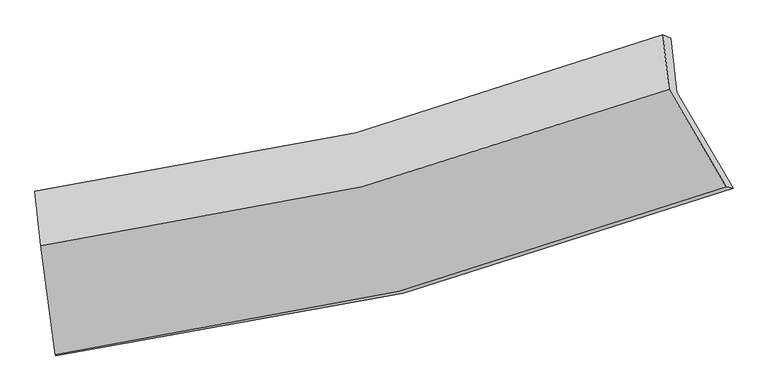
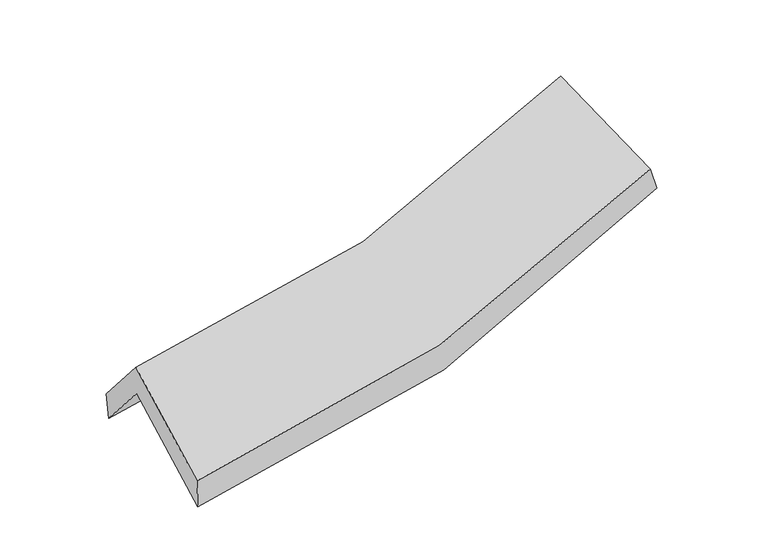
"""IFC4 building model written with IfcOpenShell, lengths in millimetres: proxy geometry."""

from ifc_helpers import new_model, si_unit, frame, origin, place, context, project, spatial, source, transform, mapped, element, save
from ifc_brep_helpers import plane_surface, spline_curve, spline_surface, advanced_brep


def generic_models_169786fb(model_context):
    return source(origin(), model_context, "Body", "AdvancedBrep", [
        advanced_brep(
        [(-1482.6927946, -2423.6300837, 1543.4702096), (-1549.951095, -1911.8174113, 1969.9878595), (1436.6602214, -1185.2322754, 2352.0344127), (1702.3591684, -1637.0380843, 1956.8041386), (-1576.5798805, -1670.7231194, 1676.4803794), (1408.5287321, -930.5326573, 2041.9638485), (-1580.6162846, -1649.7325609, 1818.9992396), (1372.7694943, -915.0944824, 2172.3367933), (-1552.3040702, -1906.0684459, 2131.0617904), (1400.9953657, -1170.6486265, 2483.447655), (-1484.8259714, -2419.5537087, 1703.150292), (1670.1053643, -1628.2547329, 2083.143402)],
        [
            (0, 1),
            (1, 2, spline_curve(3, [(-1549.951095, -1911.8174113, 1969.9878595), (-1028.692976111, -1851.892673916, 1974.043914412), (-518.718951493, -1761.20462829, 2008.028791134), (476.730984309, -1518.771936425, 2135.608842203), (962.294065316, -1367.264936626, 2228.97281675), (1436.6602214, -1185.2322754, 2352.0344127)], [4, 2, 4], [0.0, 5.282253688941337, 10.544065118022203])),
            (2, 3),
            (3, 0, spline_curve(3, [(1702.3591684, -1637.0380843, 1956.8041386), (1197.36556408, -1833.863465772, 1824.370145551), (679.986407976, -1997.762366412, 1723.713705816), (-381.601156597, -2260.216036687, 1585.688336908), (-925.905988077, -2358.514469277, 1548.566800171), (-1482.6927946, -2423.6300837, 1543.4702096)], [4, 2, 4], [0.0, 5.261811429080867, 10.544065118022203])),
            (1, 4),
            (4, 5, spline_curve(3, [(-1576.5798805, -1670.7231194, 1676.4803794), (-1056.235873105, -1602.522108988, 1670.460924096), (-546.843729752, -1506.5657721, 1698.032198244), (448.107871312, -1259.621208187, 1820.119509518), (933.751932075, -1108.847390994, 1914.376058435), (1408.5287321, -930.5326573, 2041.9638485)], [4, 2, 4], [0.0, 5.10942498681482, 10.199076558820593])),
            (5, 2),
            (4, 6),
            (6, 7, spline_curve(3, [(-1580.6162846, -1649.7325609, 1818.9992396), (-1065.691724423, -1588.7744479, 1824.072650363), (-561.657880984, -1496.89703301, 1856.163516291), (422.719914464, -1251.778821844, 1974.151410797), (903.147997324, -1098.776877235, 2059.839729209), (1372.7694943, -915.0944824, 2172.3367933)], [4, 2, 4], [0.0, 5.081126793124251, 10.142589685117342])),
            (7, 5),
            (6, 8),
            (8, 9, spline_curve(3, [(-1552.3040702, -1906.0684459, 2131.0617904), (-1037.44334344, -1844.53239212, 2135.431617735), (-533.448577969, -1752.301169404, 2167.091758989), (450.900627877, -1506.924109292, 2284.764531641), (931.339007571, -1354.01539232, 2370.566345215), (1400.9953657, -1170.6486265, 2483.447655)], [4, 2, 4], [0.0, 5.0529452814458615, 10.086335723880431])),
            (9, 7),
            (8, 10),
            (10, 11, spline_curve(3, [(-1484.8259714, -2419.5537087, 1703.150292), (-934.827827747, -2351.852008214, 1709.396853463), (-396.430541345, -2251.869268968, 1744.30307559), (655.12362054, -1987.853572702, 1871.188841389), (1168.37011284, -1824.069986583, 1962.946989421), (1670.1053643, -1628.2547329, 2083.143402)], [4, 2, 4], [0.0, 5.226608792679212, 10.432990670594247])),
            (11, 9),
            (10, 0),
            (3, 11),
        ],
        [
            spline_surface(3, 3, [[(-1482.6927946, -2423.6300837, 1543.4702096), (-925.905988003, -2358.514469264, 1548.566800233), (-381.60115652, -2260.216036734, 1585.688336847), (679.9864079, -1997.762366365, 1723.713705876), (1197.365564068, -1833.86346571, 1824.370145604), (1702.3591684, -1637.0380843, 1956.8041386)], [(-1505.112228074, -2253.025859569, 1685.642759566), (-960.168317354, -2189.640537458, 1690.392504972), (-427.307088193, -2093.878900599, 1726.468488252), (612.234600038, -1838.098889739, 1861.012084671), (1119.008397798, -1678.330622683, 1959.237702643), (1613.792852734, -1486.436147981, 2088.547563297)], [(-1527.531661526, -2082.421635431, 1827.815309534), (-994.430646684, -2020.766605643, 1832.218209712), (-473.013019846, -1927.541764414, 1867.248639664), (544.482792197, -1678.435413062, 1998.310463473), (1040.651231527, -1522.797779713, 2094.105259693), (1525.226537066, -1335.834211719, 2220.290988003)], [(-1549.951095, -1911.8174113, 1969.9878595), (-1028.692976035, -1851.892673837, 1974.043914451), (-518.718951519, -1761.204628279, 2008.028791069), (476.730984335, -1518.771936436, 2135.608842268), (962.294065257, -1367.264936686, 2228.972816732), (1436.6602214, -1185.2322754, 2352.0344127)]], [4, 4], [4, 2, 4], [0.0, 2.1814102282880508], [0.0, 5.282253688941337, 10.544065118022203]),
            spline_surface(3, 3, [[(-1549.951095, -1911.8174113, 1969.9878595), (-1028.692976035, -1851.892673837, 1974.043914451), (-518.718951519, -1761.204628279, 2008.028791069), (476.730984335, -1518.771936436, 2135.608842268), (962.294065257, -1367.264936686, 2228.972816732), (1436.6602214, -1185.2322754, 2352.0344127)], [(-1558.827356833, -1831.452647341, 1872.15203277), (-1037.873941747, -1768.769152215, 1872.849584275), (-528.093877582, -1676.325009538, 1904.696593437), (467.189946675, -1432.388360337, 2030.445731382), (952.780020857, -1281.125754795, 2124.107230634), (1427.283058295, -1100.332402709, 2248.677557969)], [(-1567.703618667, -1751.087883359, 1774.31620613), (-1047.054907462, -1685.64563057, 1771.655254189), (-537.468803688, -1591.445390843, 1801.364395795), (457.648908972, -1346.004784284, 1925.282620485), (943.265976472, -1194.986572877, 2019.241644529), (1417.905895205, -1015.432529991, 2145.320703231)], [(-1576.5798805, -1670.7231194, 1676.4803794), (-1056.235873174, -1602.522108948, 1670.460924012), (-546.843729751, -1506.565772102, 1698.032198163), (448.107871312, -1259.621208185, 1820.119509599), (933.751932072, -1108.847390986, 1914.376058432), (1408.5287321, -930.5326573, 2041.9638485)]], [4, 4], [4, 2, 4], [0.0, 1.3310546689547842], [0.0, 5.10942498681482, 10.199076558820593]),
            spline_surface(3, 3, [[(-1576.5798805, -1670.7231194, 1676.4803794), (-1056.235873174, -1602.522108948, 1670.460924012), (-546.843729751, -1506.565772102, 1698.032198163), (448.107871312, -1259.621208185, 1820.119509599), (933.751932072, -1108.847390986, 1914.376058432), (1408.5287321, -930.5326573, 2041.9638485)], [(-1577.925348543, -1663.726266553, 1723.986666157), (-1059.387823617, -1597.939555229, 1721.664832797), (-551.781780184, -1503.342859086, 1750.742637562), (439.645219032, -1257.007079444, 1871.463476646), (923.55062048, -1105.490553054, 1962.863948692), (1396.608986153, -925.386598987, 2085.421496742)], [(-1579.270816557, -1656.729413747, 1771.492952843), (-1062.539774032, -1593.357001552, 1772.868741509), (-556.719830588, -1500.119945989, 1803.453076956), (431.18256678, -1254.392950622, 1922.807443687), (913.349308929, -1102.133715161, 2011.351839025), (1384.689240247, -920.240540713, 2128.879145058)], [(-1580.6162846, -1649.7325609, 1818.9992396), (-1065.691724476, -1588.774447833, 1824.072650293), (-561.657881021, -1496.897032973, 1856.163516355), (422.7199145, -1251.778821881, 1974.151410734), (903.147997337, -1098.776877229, 2059.839729286), (1372.7694943, -915.0944824, 2172.3367933)]], [4, 4], [4, 2, 4], [0.0, 0.517124044528222], [0.0, 5.081126793124251, 10.142589685117342]),
            spline_surface(3, 3, [[(-1580.6162846, -1649.7325609, 1818.9992396), (-1065.691724476, -1588.774447833, 1824.072650293), (-561.657881021, -1496.897032973, 1856.163516355), (422.7199145, -1251.778821881, 1974.151410734), (903.147997337, -1098.776877229, 2059.839729286), (1372.7694943, -915.0944824, 2172.3367933)], [(-1571.178879778, -1735.177855914, 1923.020089859), (-1056.27559744, -1674.027095949, 1927.858972786), (-552.254779979, -1582.031745079, 1959.806263898), (432.113485617, -1336.827251028, 2077.689117657), (912.545000778, -1183.856382285, 2163.415267928), (1382.178118113, -1000.279197112, 2276.040413867)], [(-1561.741475022, -1820.623150886, 2027.040940141), (-1046.859470471, -1759.279744023, 2031.645295302), (-542.851678961, -1667.166457226, 2063.449011512), (441.50705671, -1421.875680216, 2181.226824651), (921.94200418, -1268.935887306, 2266.990806569), (1391.586741887, -1085.463911788, 2379.744034433)], [(-1552.3040702, -1906.0684459, 2131.0617904), (-1037.443343436, -1844.532392138, 2135.431617795), (-533.44857792, -1752.301169332, 2167.091759056), (450.900627828, -1506.924109363, 2284.764531574), (931.339007621, -1354.015392362, 2370.566345211), (1400.9953657, -1170.6486265, 2483.447655)]], [4, 4], [4, 2, 4], [0.0, 1.3227083366309473], [0.0, 5.0529452814458615, 10.086335723880431]),
            spline_surface(3, 3, [[(-1552.3040702, -1906.0684459, 2131.0617904), (-1037.443343436, -1844.532392138, 2135.431617795), (-533.44857792, -1752.301169332, 2167.091759056), (450.900627828, -1506.924109363, 2284.764531574), (931.339007621, -1354.015392362, 2370.566345211), (1400.9953657, -1170.6486265, 2483.447655)], [(-1529.811370604, -2077.230200175, 1988.424624257), (-1003.238171534, -2013.638930817, 1993.420029699), (-487.775899073, -1918.82386922, 2026.1621979), (518.974958736, -1667.233930473, 2146.905968205), (1010.349376004, -1510.700257099, 2234.69322662), (1490.698698554, -1323.183995284, 2350.012904013)], [(-1507.318670996, -2248.391954425, 1845.787458143), (-969.03299962, -2182.745469471, 1851.408441632), (-442.103220215, -2085.346569098, 1885.232636707), (587.049289655, -1827.543751573, 2009.047404797), (1089.359744426, -1667.385121884, 2098.820107991), (1580.402031446, -1475.719364116, 2216.578152987)], [(-1484.8259714, -2419.5537087, 1703.150292), (-934.827827718, -2351.852008149, 1709.396853536), (-396.430541369, -2251.869268986, 1744.303075551), (655.123620564, -1987.853572684, 1871.188841428), (1168.370112809, -1824.069986621, 1962.946989399), (1670.1053643, -1628.2547329, 2083.143402)]], [4, 4], [4, 2, 4], [0.0, 2.18696333869279], [0.0, 5.226608792679212, 10.432990670594247]),
            spline_surface(3, 3, [[(-1484.8259714, -2419.5537087, 1703.150292), (-934.827827718, -2351.852008149, 1709.396853536), (-396.430541369, -2251.869268986, 1744.303075551), (655.123620564, -1987.853572684, 1871.188841428), (1168.370112809, -1824.069986621, 1962.946989399), (1670.1053643, -1628.2547329, 2083.143402)], [(-1484.114912469, -2420.912500348, 1649.92359789), (-931.853881149, -2354.072828502, 1655.786835792), (-391.487413088, -2254.651524883, 1691.431495991), (663.41121634, -1991.156503892, 1822.030462918), (1178.035263248, -1827.334479678, 1916.754708146), (1680.856632352, -1631.182516728, 2041.030314212)], [(-1483.403853531, -2422.271292052, 1596.69690371), (-928.879934572, -2356.293648911, 1602.176817977), (-386.5442848, -2257.433780837, 1638.559916408), (671.698812123, -1994.459435156, 1772.872084386), (1187.700413629, -1830.598972653, 1870.562426857), (1691.607900348, -1634.110300472, 1998.917226388)], [(-1482.6927946, -2423.6300837, 1543.4702096), (-925.905988003, -2358.514469264, 1548.566800233), (-381.60115652, -2260.216036734, 1585.688336847), (679.9864079, -1997.762366365, 1723.713705876), (1197.365564068, -1833.86346571, 1824.370145604), (1702.3591684, -1637.0380843, 1956.8041386)]], [4, 4], [4, 2, 4], [0.0, 0.5072661050658744], [0.0, 5.427588208453763, 10.834171714160075]),
            plane_surface(frame((1498.5697244, -1244.4668098, 2181.6217084), z_axis=(0.9117496186154556, 0.3541006152904101, 0.2081475130899343), x_axis=(0.4047489852861359, -0.6882524179605255, -0.602068823375977))),
            plane_surface(frame((-1537.8283494, -1996.9208883, 1807.1916284), z_axis=(-0.9924819720903825, -0.12196973079268117, -0.01014494188973628), x_axis=(-0.0133535245646681, 0.025517797268095645, 0.9995851766629421))),
        ],
        [
            (0, [[1, 2, 3, 4]]),
            (1, [[5, 6, 7, -2]]),
            (2, [[8, 9, 10, -6]]),
            (3, [[11, 12, 13, -9]]),
            (4, [[14, 15, 16, -12]]),
            (5, [[17, -4, 18, -15]]),
            (6, [[-16, -18, -3, -7, -10, -13]]),
            (7, [[-17, -14, -11, -8, -5, -1]]),
        ],
    ),
    ])


if __name__ == "__main__":
    model = new_model("IFC4")
    model_context = context("Model", 3, world=origin())
    ifc_project = project(units=[si_unit("LENGTHUNIT", "METRE", prefix="MILLI")], contexts=[model_context])
    site = spatial("IfcSite", under=ifc_project)
    building = spatial("IfcBuilding", under=site)
    placement = place(None, origin())
    generic_models_shape = generic_models_169786fb(model_context)
    element("IfcBuildingElementProxy", 1, Name="Generic Models", at=placement, inside=building, context=model_context, shape_type="MappedRepresentation", body=[
        mapped(generic_models_shape, transform((0.0, 0.0, 0.0), x_axis=(1.0, 0.0, 0.0), y_axis=(0.0, 1.0, 0.0), z_axis=(0.0, 0.0, 1.0))),
    ])
    save(model, "model.ifc")
